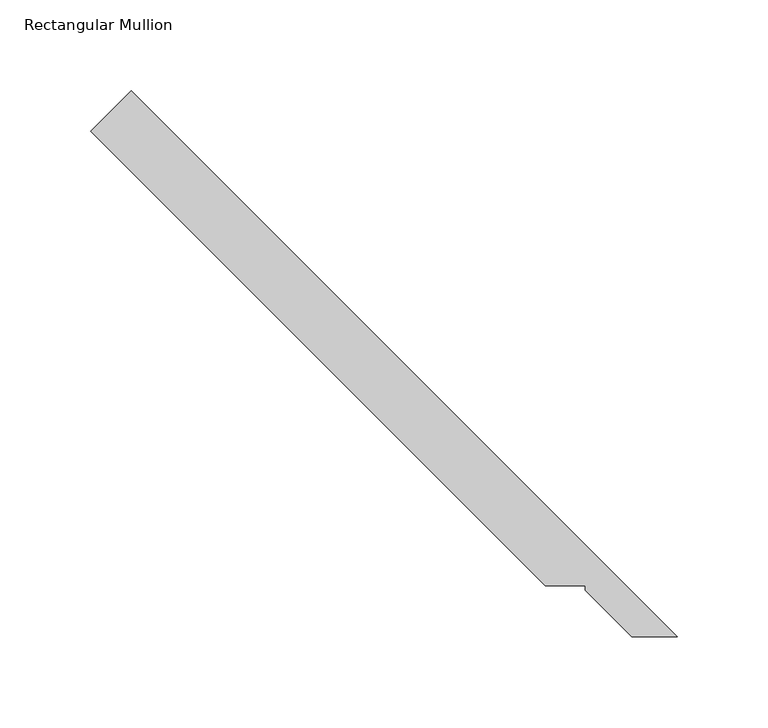
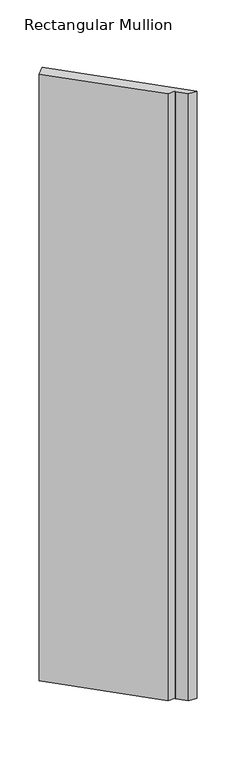
"""IFC4 building model written with IfcOpenShell, lengths in millimetres: member geometry, Rectangular Mullion."""

from ifc_helpers import new_model, si_unit, frame, origin, place, context, project, spatial, polyline, outline, extrude, source, transform, mapped, element, save


def rectangular_mullion_48fd8b39(model_context):
    return source(origin(), model_context, "Body", "SweptSolid", [
        extrude(outline(polyline([(-341.9998648, 297.0985842), (-319.5492245, 319.5492245), (-18.8515625, 18.8515625), (-43.922662, 18.8515625), (-69.4307458, 44.4684651), (-69.4307458, 46.7544651), (-91.6557458, 46.7544651), (-341.9998648, 297.0985842)])), frame((0.0, 0.0, -1965.2962075), z_axis=(0.0, 0.0, 1.0), x_axis=(1.0, 0.0, 0.0)), (0.0, 0.0, 1.0), 1965.2962075),
    ])


if __name__ == "__main__":
    model = new_model("IFC4")
    model_context = context("Model", 3, world=origin())
    ifc_project = project(units=[si_unit("LENGTHUNIT", "METRE", prefix="MILLI")], contexts=[model_context])
    site = spatial("IfcSite", under=ifc_project)
    building = spatial("IfcBuilding", under=site)
    placement = place(None, origin())
    rectangular_mullion_shape = rectangular_mullion_48fd8b39(model_context)
    element("IfcMember", 1, ObjectType="Rectangular Mullion", at=placement, inside=building, context=model_context, shape_type="MappedRepresentation", body=[
        mapped(rectangular_mullion_shape, transform((0.0, 0.0, 0.0), x_axis=(1.0, 0.0, 0.0), y_axis=(0.0, 1.0, 0.0), z_axis=(0.0, 0.0, 1.0))),
    ])
    save(model, "model.ifc")
